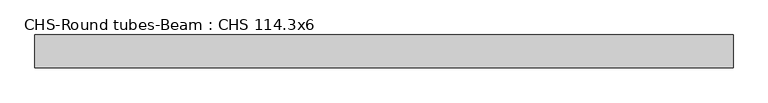
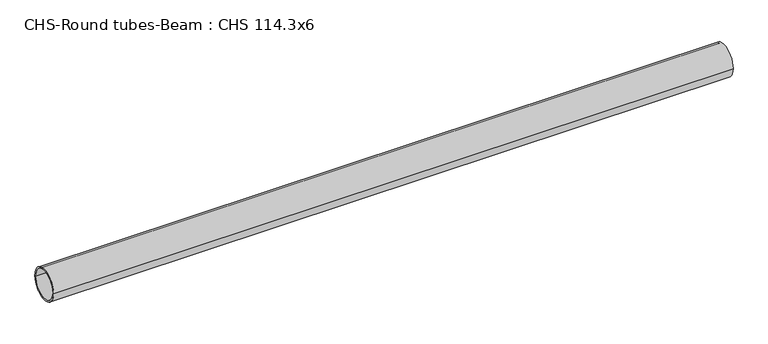
"""IFC4 building model written with IfcOpenShell, lengths in millimetres: beam geometry, CHS-Round tubes-Beam : CHS 114.3x6."""

from ifc_helpers import new_model, si_unit, point, frame, origin, origin_2d, place, context, project, spatial, circle_curve, trimmed, segment, composite_curve, outline, extrude, source, transform, mapped, element, save


def chs_round_tubes_beam_chs_114_3x6_b1358038(model_context):
    return source(origin(), model_context, "Body", "SweptSolid", [
        extrude(outline(composite_curve([segment(trimmed(circle_curve(origin_2d(), 57.15), [point((57.15, 0.0))], [point((-57.15, 0.0))], False, "CARTESIAN"), True, "CONTINUOUS"), segment(trimmed(circle_curve(origin_2d(), 57.15), [point((-57.15, 0.0))], [point((57.15, 0.0))], False, "CARTESIAN"), True, "CONTINUOUS")], self_intersect=False), holes=[composite_curve([segment(trimmed(circle_curve(origin_2d(), 51.15), [point((51.15, 0.0))], [point((-51.15, 0.0))], True, "CARTESIAN"), True, "CONTINUOUS"), segment(trimmed(circle_curve(origin_2d(), 51.15), [point((-51.15, 0.0))], [point((51.15, 0.0))], True, "CARTESIAN"), True, "CONTINUOUS")], self_intersect=False)]), frame((-1176.9179255, 0.0, 0.0), z_axis=(1.0, 0.0, 0.0), x_axis=(0.0, 1.0, 0.0)), (0.0, 0.0, 1.0), 2414.5324876),
    ])


if __name__ == "__main__":
    model = new_model("IFC4")
    model_context = context("Model", 3, world=origin())
    ifc_project = project(units=[si_unit("LENGTHUNIT", "METRE", prefix="MILLI")], contexts=[model_context])
    site = spatial("IfcSite", under=ifc_project)
    building = spatial("IfcBuilding", under=site)
    placement = place(None, origin())
    chs_round_tubes_beam_chs_114_3x6_shape = chs_round_tubes_beam_chs_114_3x6_b1358038(model_context)
    element("IfcBeam", 1, ObjectType="CHS-Round tubes-Beam : CHS 114.3x6", at=placement, inside=building, context=model_context, shape_type="MappedRepresentation", body=[
        mapped(chs_round_tubes_beam_chs_114_3x6_shape, transform((0.0, 0.0, 0.0), x_axis=(1.0, 0.0, 0.0), y_axis=(0.0, 1.0, 0.0), z_axis=(0.0, 0.0, 1.0))),
    ])
    save(model, "model.ifc")
